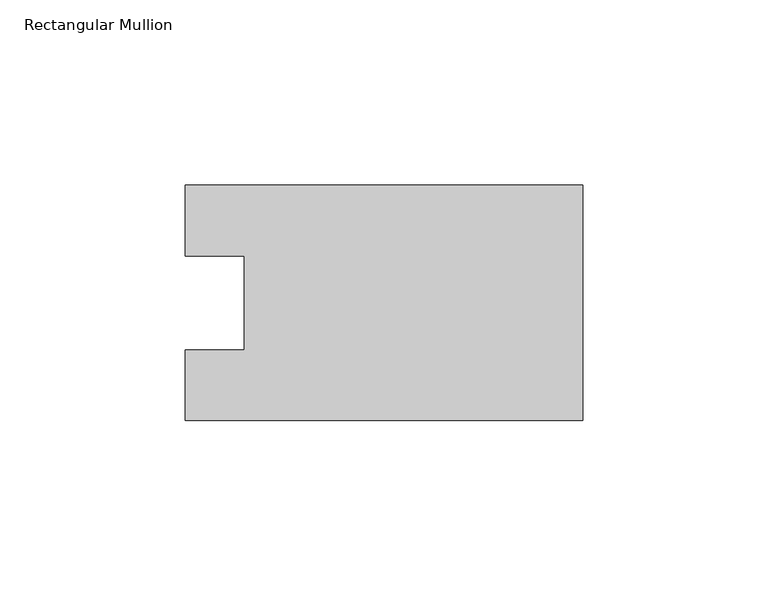
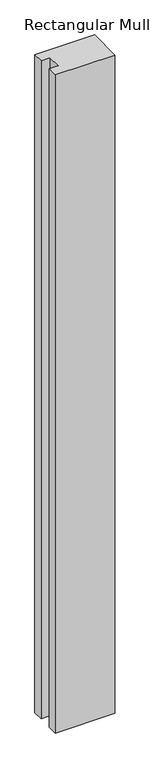
"""IFC4 building model written with IfcOpenShell, lengths in millimetres: member geometry, Rectangular Mullion."""

import ifcopenshell
import ifcopenshell.guid

model = None  # the IFC model being written
_history = None  # IfcOwnerHistory: only IFC2X3 demands one
_inside = {}  # id of a spatial element -> (the spatial element, [elements in it])
_under = {}  # id of a project, library or spatial element -> (it, [spatial elements below it])
_declared = {}  # id of a project -> (the project, [libraries it declares])
_typed = {}  # id of a type object -> (the type object, [elements of that type])
_made_of = {}  # id of a material, layer set ... -> (it, [elements and type objects made of it])


def new_model(schema):
    """Start an empty IFC model of exactly this schema.

    Asked for "IFC4X3", IfcOpenShell would pick the latest addendum, in which some entities
    have other attributes; the version numbers below select the first issue.
    IFC2X3 requires an IfcOwnerHistory on every rooted entity: one is made here for all.
    """
    global model, _history
    if schema == "IFC4X3":
        model = ifcopenshell.file(schema_version=(4, 3, 0, 0))
    else:
        model = ifcopenshell.file(schema=schema)
    _inside.clear()
    _under.clear()
    _declared.clear()
    _typed.clear()
    _made_of.clear()
    _history = None
    if model.schema == "IFC2X3":
        org = make("IfcOrganization", Name="unknown")
        user = make(
            "IfcPersonAndOrganization",
            ThePerson=make("IfcPerson", FamilyName="unknown"),
            TheOrganization=org,
        )
        app = make(
            "IfcApplication",
            ApplicationDeveloper=org,
            Version="unknown",
            ApplicationFullName="unknown",
            ApplicationIdentifier="unknown",
        )
        _history = make(
            "IfcOwnerHistory",
            OwningUser=user,
            OwningApplication=app,
            ChangeAction="ADDED",
            CreationDate=0,
        )
    return model


def make(cls, **values):
    """One entity of the class cls with the attributes given. An attribute that is None is left unset."""
    return model.create_entity(
        cls, **{name: value for name, value in values.items() if value is not None}
    )


def rooted(cls, **values):
    """An entity with a GlobalId (a new one), such as an element, a storey or a relation."""
    return make(cls, GlobalId=ifcopenshell.guid.new(), OwnerHistory=_history, **values)


def si_unit(unit_type, name, prefix=None):
    """IfcSIUnit, for example si_unit("LENGTHUNIT", "METRE", prefix="MILLI")."""
    return make("IfcSIUnit", UnitType=unit_type, Prefix=prefix, Name=name)


def assignment(units):
    """IfcUnitAssignment: the units of a project."""
    return None if units is None else make("IfcUnitAssignment", Units=units)


def point(xyz):
    """IfcCartesianPoint."""
    return None if xyz is None else make("IfcCartesianPoint", Coordinates=xyz)


def direction(xyz):
    """IfcDirection."""
    return None if xyz is None else make("IfcDirection", DirectionRatios=xyz)


def frame(location, z_axis=None, x_axis=None):
    """IfcAxis2Placement3D, a coordinate frame: its origin and axes. An axis left out is left unset."""
    return make(
        "IfcAxis2Placement3D",
        Location=point(location),
        Axis=direction(z_axis),
        RefDirection=direction(x_axis),
    )


def origin():
    """The frame at (0, 0, 0) with its axes left unset."""
    return frame((0.0, 0.0, 0.0))


def place(relative_to, where):
    """IfcLocalPlacement: puts the frame where relative to a parent placement (None: the world)."""
    return make(
        "IfcLocalPlacement", PlacementRelTo=relative_to, RelativePlacement=where
    )


def context(
    kind, dimensions, precision=None, world=None, true_north=None, identifier=None
):
    """IfcGeometricRepresentationContext, for example the 3D "Model" context."""
    return make(
        "IfcGeometricRepresentationContext",
        ContextIdentifier=identifier,
        ContextType=kind,
        CoordinateSpaceDimension=dimensions,
        Precision=precision,
        WorldCoordinateSystem=world,
        TrueNorth=true_north,
    )


def project(units=None, contexts=None):
    """IfcProject with its units and contexts."""
    return rooted(
        "IfcProject",
        Name="project",
        RepresentationContexts=contexts,
        UnitsInContext=assignment(units),
    )


def spatial(cls, under=None, at=None, **own):
    """A site, building, storey or space (cls), placed at a placement, below another one or the project."""
    s = rooted(cls, ObjectPlacement=at, **own)
    if under is not None:
        _under.setdefault(under.id(), (under, []))[1].append(s)
    return s


def polyline(points):
    """IfcPolyline through the points."""
    return make("IfcPolyline", Points=[point(p) for p in points])


def outline(outer, holes=None, kind="AREA"):
    """IfcArbitraryClosedProfileDef: a profile drawn as a closed curve; with holes, ...WithVoids."""
    if holes is None:
        return make("IfcArbitraryClosedProfileDef", ProfileType=kind, OuterCurve=outer)
    return make(
        "IfcArbitraryProfileDefWithVoids",
        ProfileType=kind,
        OuterCurve=outer,
        InnerCurves=holes,
    )


def extrude(swept, where, along, depth):
    """IfcExtrudedAreaSolid: the profile swept, set in the frame where, extruded along a direction by depth."""
    return make(
        "IfcExtrudedAreaSolid",
        SweptArea=swept,
        Position=where,
        ExtrudedDirection=direction(along),
        Depth=depth,
    )


def shape(context_of_items, identifier, shape_type, items):
    """IfcShapeRepresentation: the items that make up one representation, for example the "Body"."""
    return make(
        "IfcShapeRepresentation",
        ContextOfItems=context_of_items,
        RepresentationIdentifier=identifier,
        RepresentationType=shape_type,
        Items=items,
    )


def source(mapping_origin, context_of_items, identifier, shape_type, items):
    """IfcRepresentationMap: a shape defined once, which mapped items show again and again."""
    return make(
        "IfcRepresentationMap",
        MappingOrigin=mapping_origin,
        MappedRepresentation=shape(context_of_items, identifier, shape_type, items),
    )


def transform(
    local_origin,
    x_axis=None,
    y_axis=None,
    z_axis=None,
    scale=None,
    scale2=None,
    scale3=None,
    uniform=True,
):
    """IfcCartesianTransformationOperator3D, or its non-uniform kind. x_axis, y_axis, z_axis: its Axis1, 2, 3."""
    if uniform:
        return make(
            "IfcCartesianTransformationOperator3D",
            Axis1=direction(x_axis),
            Axis2=direction(y_axis),
            LocalOrigin=point(local_origin),
            Scale=scale,
            Axis3=direction(z_axis),
        )
    return make(
        "IfcCartesianTransformationOperator3DnonUniform",
        Axis1=direction(x_axis),
        Axis2=direction(y_axis),
        LocalOrigin=point(local_origin),
        Scale=scale,
        Axis3=direction(z_axis),
        Scale2=scale2,
        Scale3=scale3,
    )


def mapped(mapping_source, mapping_target):
    """IfcMappedItem: shows the shape of a source again, moved by a transform."""
    return make(
        "IfcMappedItem", MappingSource=mapping_source, MappingTarget=mapping_target
    )


def made_of(thing, what):
    """Note that an element or type object is made of a material, layer set ...; save() writes the relation."""
    if what is not None:
        _made_of.setdefault(what.id(), (what, []))[1].append(thing)
    return thing


def element(
    cls,
    number,
    at=None,
    inside=None,
    cuts=None,
    type_object=None,
    material=None,
    context=None,
    identifier="Body",
    shape_type=None,
    held_by="IfcProductDefinitionShape",
    body=None,
    shapes=None,
    **own,
):
    """One element of the class cls, such as IfcWall. Its Tag is "e" and its number.

    at: its placement. inside: the storey or other place that contains it. cuts: it is an
    opening in that element (IfcRelVoidsElement). A single representation is given by context,
    identifier, shape_type and body (its items); several are given by shapes. held_by: the class
    of the entity that holds the representations. save() writes the other relations.
    """
    e = rooted(cls, Tag="e%d" % number, ObjectPlacement=at, **own)
    if body is not None:
        shapes = [shape(context, identifier, shape_type, body)]
    if shapes is not None:
        e.Representation = make(held_by, Representations=shapes)
    if inside is not None:
        _inside.setdefault(inside.id(), (inside, []))[1].append(e)
    if cuts is not None:
        rooted(
            "IfcRelVoidsElement", RelatingBuildingElement=cuts, RelatedOpeningElement=e
        )
    if type_object is not None:
        _typed.setdefault(type_object.id(), (type_object, []))[1].append(e)
    return made_of(e, material)


def aggregate(whole, parts):
    """IfcRelAggregates: a whole, such as a stair, and the parts it consists of."""
    return rooted("IfcRelAggregates", RelatingObject=whole, RelatedObjects=parts)


def save(model, path):
    """Write the relations noted so far, then the file.

    IfcRelAggregates (storeys below a building ...), IfcRelContainedInSpatialStructure (elements
    in a storey), IfcRelDefinesByType, IfcRelAssociatesMaterial and IfcRelDeclares: one each for
    every whole, place, type object, material and project.
    """
    for whole, parts in _under.values():
        aggregate(whole, parts)
    for where, things in _inside.values():
        rooted(
            "IfcRelContainedInSpatialStructure",
            RelatedElements=things,
            RelatingStructure=where,
        )
    for kind, things in _typed.values():
        rooted("IfcRelDefinesByType", RelatedObjects=things, RelatingType=kind)
    for what, things in _made_of.values():
        rooted("IfcRelAssociatesMaterial", RelatedObjects=things, RelatingMaterial=what)
    for by, libraries in _declared.values():
        rooted("IfcRelDeclares", RelatingContext=by, RelatedDefinitions=libraries)
    model.write(path)


def rectangular_mullion_4b122808(model_context):
    return source(origin(), model_context, "Body", "SweptSolid", [
        extrude(outline(polyline([(0.0, -31.7489583), (-107.0607968, -31.7489583), (-107.0607968, -12.7), (-91.1857968, -12.7), (-91.1857968, 12.7), (-107.0607968, 12.7), (-107.0607968, 31.7489583), (0.0, 31.7489583), (0.0, -31.7489583)])), frame((0.0, 0.0, -1248.6767), z_axis=(0.0, 0.0, 1.0), x_axis=(1.0, 0.0, 0.0)), (0.0, 0.0, 1.0), 1248.6767),
    ])


if __name__ == "__main__":
    model = new_model("IFC4")
    model_context = context("Model", 3, world=origin())
    ifc_project = project(units=[si_unit("LENGTHUNIT", "METRE", prefix="MILLI")], contexts=[model_context])
    site = spatial("IfcSite", under=ifc_project)
    building = spatial("IfcBuilding", under=site)
    placement = place(None, origin())
    rectangular_mullion_shape = rectangular_mullion_4b122808(model_context)
    element("IfcMember", 1, ObjectType="Rectangular Mullion", at=placement, inside=building, context=model_context, shape_type="MappedRepresentation", body=[
        mapped(rectangular_mullion_shape, transform((0.0, 0.0, 0.0), x_axis=(1.0, 0.0, 0.0), y_axis=(0.0, 1.0, 0.0), z_axis=(0.0, 0.0, 1.0))),
    ])
    save(model, "model.ifc")
